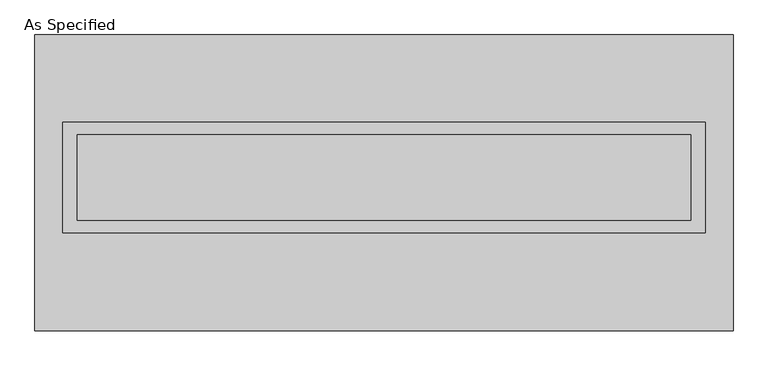
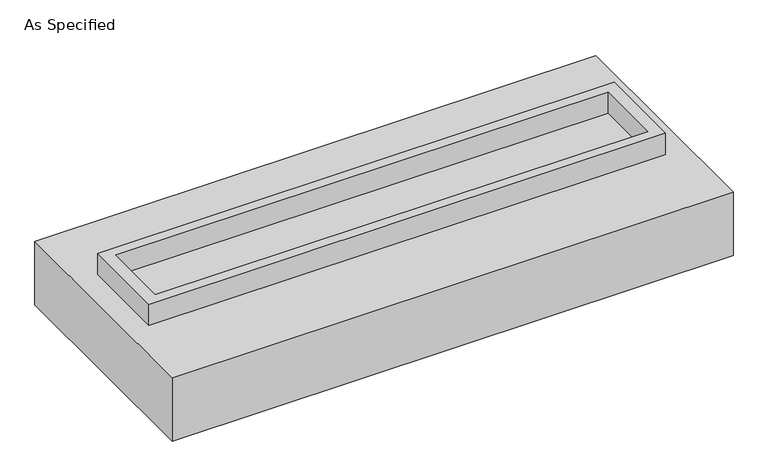
"""IFC4 building model written with IfcOpenShell, lengths in millimetres: proxy geometry, As Specified."""

from ifc_helpers import new_model, si_unit, frame, origin, place, context, project, spatial, polyline, outline, extrude, faceted_brep, source, transform, mapped, element, save


def as_specified_9f6725cb(model_context):
    return source(origin(), model_context, "Body", "SolidModel", [
        extrude(outline(polyline([(1917.7, 361.95), (1917.7, -298.45), (-1917.7, -298.45), (-1917.7, 361.95), (1917.7, 361.95)]), holes=[polyline([(1828.8, 285.75), (-1828.8, 285.75), (-1828.8, -222.25), (1828.8, -222.25), (1828.8, 285.75)])]), frame((0.0, 0.0, -25.4), z_axis=(0.0, 0.0, 1.0), x_axis=(1.0, 0.0, 0.0)), (0.0, 0.0, 1.0), 165.1),
        extrude(outline(polyline([(1828.8, 285.75), (1828.8, -222.25), (-1828.8, -222.25), (-1828.8, 285.75), (1828.8, 285.75)])), frame((0.0, 0.0, -30.3609375), z_axis=(0.0, 0.0, 1.0), x_axis=(1.0, 0.0, 0.0)), (0.0, 0.0, 1.0), 4.9609375),
        faceted_brep([(2082.8, -882.65, -523.875), (-2082.8, -882.65, -523.875), (-2082.8, 882.65, -523.875), (2082.8, 882.65, -523.875), (2082.8, 882.65, -25.4), (-2082.8, 882.65, -25.4), (-2082.8, -882.65, -25.4), (2082.8, -882.65, -25.4), (1917.7, 361.95, -25.4), (1917.7, -298.45, -25.4), (-1917.7, -298.45, -25.4), (-1917.7, 361.95, -25.4), (1917.7, 361.95, -498.475), (-1917.7, 361.95, -498.475), (-1917.7, -298.45, -498.475), (1917.7, -298.45, -498.475)], [[[0, 1, 2, 3]], [[4, 5, 6, 7], [8, 9, 10, 11]], [[3, 2, 5, 4]], [[2, 1, 6, 5]], [[0, 3, 4, 7]], [[12, 13, 14, 15]], [[14, 13, 11, 10]], [[13, 12, 8, 11]], [[12, 15, 9, 8]], [[10, 9, 15, 14]], [[1, 0, 7, 6]]]),
    ])


if __name__ == "__main__":
    model = new_model("IFC4")
    model_context = context("Model", 3, world=origin())
    ifc_project = project(units=[si_unit("LENGTHUNIT", "METRE", prefix="MILLI")], contexts=[model_context])
    site = spatial("IfcSite", under=ifc_project)
    building = spatial("IfcBuilding", under=site)
    placement = place(None, origin())
    as_specified_shape = as_specified_9f6725cb(model_context)
    element("IfcBuildingElementProxy", 1, Name="As Specified", ObjectType="As Specified", at=placement, inside=building, context=model_context, shape_type="MappedRepresentation", body=[
        mapped(as_specified_shape, transform((0.0, 0.0, 0.0), x_axis=(1.0, 0.0, 0.0), y_axis=(0.0, 1.0, 0.0), z_axis=(0.0, 0.0, 1.0))),
    ])
    save(model, "model.ifc")
